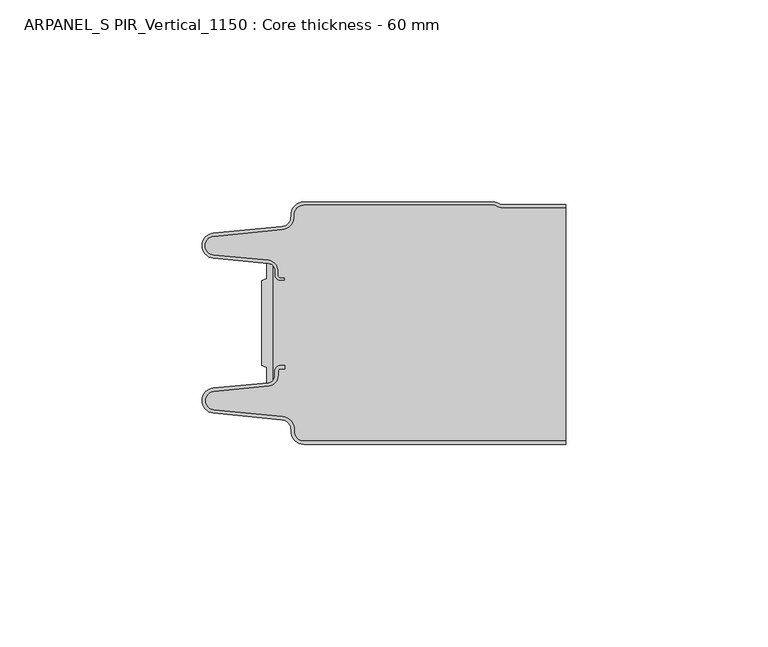
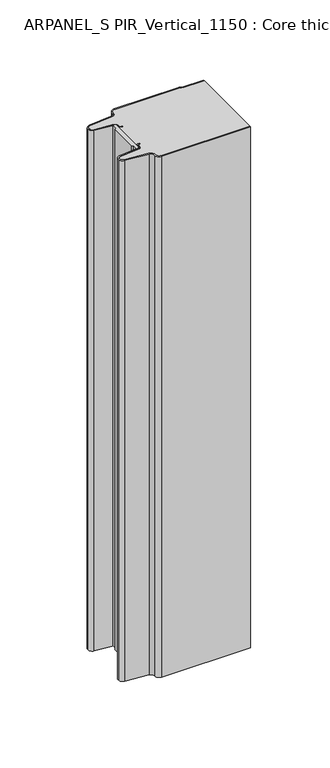
"""IFC4 building model written with IfcOpenShell, lengths in millimetres: plate geometry, ARPANEL_S PIR_Vertical_1150 : Core thickness - 60 mm."""

from ifc_helpers import new_model, si_unit, point, frame, frame_2d, origin, origin_with_axes, place, context, project, spatial, polyline, circle_curve, trimmed, segment, composite_curve, outline, extrude, source, transform, mapped, element, save
from ifc_brep_helpers import plane_surface, cylinder_surface, revolved_surface, advanced_brep


def arpanel_s_pir_vertical_1150_core_thickness_60_mm_c4596dc1(model_context):
    return source(origin(), model_context, "Body", "SolidModel", [
        extrude(outline(composite_curve([segment(polyline([(-30.2854621, -19.4639745), (-29.0682893, -19.0209598), (-29.0682893, -15.20918)]), True, "CONTINUOUS"), segment(trimmed(circle_curve(frame_2d((-28.9194754, -17.302662)), 2.0987645), [point((-29.0682893, -15.20918))], [point((-27.4659308, -15.7887199))], False, "CARTESIAN"), True, "CONTINUOUS"), segment(polyline([(-27.4659308, -15.7887199), (-27.4659308, -44.2112801)]), True, "CONTINUOUS"), segment(trimmed(circle_curve(frame_2d((-28.9194754, -42.697338)), 2.0987645), [point((-27.4659308, -44.2112801))], [point((-29.0682893, -44.79082))], False, "CARTESIAN"), True, "CONTINUOUS"), segment(polyline([(-29.0682893, -44.79082), (-29.0682893, -40.9790402), (-30.2854621, -40.5360255), (-30.2854621, -19.4639745)]), True, "CONTINUOUS")], self_intersect=False)), origin_with_axes(), (0.0, 0.0, 1.0), 400.0),
        advanced_brep(
        [(-19.8000003, -59.9996949, 0.0), (-22.9923632, -56.5787437, 0.0), (-25.2560431, -53.9171154, 0.0), (-42.2115315, -52.2546153, 0.0), (-44.9999998, -49.1776715, 0.0), (-42.2115315, -46.1007278, 0.0), (-28.6195785, -44.7680252, 0.0), (-26.9952277, -42.9766159, 0.0), (-26.9952277, -41.8996949, 0.0), (-25.5952277, -40.4996949, 0.0), (-24.4952277, -40.4996949, 0.0), (-24.4952277, -41.2996949, 0.0), (-25.5952277, -41.2996949, 0.0), (-26.1952277, -41.8996949, 0.0), (-26.1952277, -42.9766159, 0.0), (-28.5415122, -45.5642071, 0.0), (-42.1334652, -46.8969097, 0.0), (-44.1999997, -49.1776715, 0.0), (-42.1334652, -51.4584333, 0.0), (-25.1779767, -53.1209335, 0.0), (-22.2078761, -56.6330399, 0.0), (-19.8000003, -59.1996949, 0.0), (44.9999998, -59.2, 0.0), (44.9999998, -59.9996949, 0.0), (-19.8000003, -59.1996949, 400.0), (-22.1942724, -56.6339815, 400.0), (-25.1779767, -53.1209335, 400.0), (-42.1334652, -51.4584333, 400.0), (-44.1999997, -49.1776715, 400.0), (-42.1334652, -46.8969097, 400.0), (-28.5415122, -45.5642071, 400.0), (-26.1952277, -42.9766159, 400.0), (-26.1952277, -41.8996949, 400.0), (-25.5952277, -41.2996949, 400.0), (-24.4952277, -41.2996949, 400.0), (-24.4952277, -40.4996949, 400.0), (-25.5952277, -40.4996949, 400.0), (-26.9952277, -41.8996949, 400.0), (-26.9952277, -42.9766159, 400.0), (-28.6195785, -44.7680252, 400.0), (-42.2115315, -46.1007278, 400.0), (-44.9999998, -49.1776715, 400.0), (-42.2115315, -52.2546153, 400.0), (-25.2560431, -53.9171154, 400.0), (-23.0059668, -56.5778021, 400.0), (-19.8000003, -59.9996949, 400.0), (44.9999998, -59.9996949, 400.0), (44.9999998, -59.2, 400.0)],
        [
            (0, 1, circle_curve(frame((-19.8000003, -56.7996949, 0.0), z_axis=(0.0, 0.0, -1.0), x_axis=(1.0, 0.0, 0.0)), 3.2)),
            (1, 2, circle_curve(frame((-25.5000003, -56.4051839, 0.0), z_axis=(0.0, 0.0, 1.0), x_axis=(1.0, 0.0, 0.0)), 2.5)),
            (2, 3),
            (3, 4, circle_curve(frame((-41.9100003, -49.1793626, 0.0), z_axis=(0.0, 0.0, -1.0), x_axis=(1.0, 0.0, 0.0)), 3.09)),
            (4, 5, circle_curve(frame((-41.9100003, -49.1759805, 0.0), z_axis=(0.0, 0.0, -1.0), x_axis=(1.0, 0.0, 0.0)), 3.09)),
            (5, 6),
            (6, 7, circle_curve(frame((-28.7952277, -42.9766159, 0.0), z_axis=(0.0, 0.0, 1.0), x_axis=(1.0, 0.0, 0.0)), 1.8)),
            (7, 8),
            (8, 9, circle_curve(frame((-25.5952277, -41.8996949, 0.0), z_axis=(0.0, 0.0, -1.0), x_axis=(1.0, 0.0, 0.0)), 1.4)),
            (9, 10),
            (10, 11),
            (11, 12),
            (12, 13, circle_curve(frame((-25.5952277, -41.8996949, 0.0), z_axis=(0.0, 0.0, 1.0), x_axis=(1.0, 0.0, 0.0)), 0.6)),
            (13, 14),
            (14, 15, circle_curve(frame((-28.7952277, -42.9766159, 0.0), z_axis=(0.0, 0.0, -1.0), x_axis=(1.0, 0.0, 0.0)), 2.6)),
            (15, 16),
            (16, 17, circle_curve(frame((-41.9100003, -49.1759805, 0.0), z_axis=(0.0, 0.0, 1.0), x_axis=(1.0, 0.0, 0.0)), 2.29)),
            (17, 18, circle_curve(frame((-41.9100003, -49.1793626, 0.0), z_axis=(0.0, 0.0, 1.0), x_axis=(1.0, 0.0, 0.0)), 2.29)),
            (18, 19),
            (19, 20, circle_curve(frame((-25.5000003, -56.4051839, 0.0), z_axis=(0.0, 0.0, -1.0), x_axis=(1.0, 0.0, 0.0)), 3.3)),
            (20, 21, circle_curve(frame((-19.8000003, -56.7996949, 0.0), z_axis=(0.0, 0.0, 1.0), x_axis=(1.0, 0.0, 0.0)), 2.4)),
            (21, 22),
            (22, 23),
            (23, 0),
            (24, 25, circle_curve(frame((-19.8000003, -56.7996949, 400.0), z_axis=(0.0, 0.0, -1.0), x_axis=(1.0, 0.0, 0.0)), 2.4)),
            (25, 26, circle_curve(frame((-25.5000003, -56.4051839, 400.0), z_axis=(0.0, 0.0, 1.0), x_axis=(1.0, 0.0, 0.0)), 3.3)),
            (26, 27),
            (27, 28, circle_curve(frame((-41.9100003, -49.1793626, 400.0), z_axis=(0.0, 0.0, -1.0), x_axis=(1.0, 0.0, 0.0)), 2.29)),
            (28, 29, circle_curve(frame((-41.9100003, -49.1759805, 400.0), z_axis=(0.0, 0.0, -1.0), x_axis=(1.0, 0.0, 0.0)), 2.29)),
            (29, 30),
            (30, 31, circle_curve(frame((-28.7952277, -42.9766159, 400.0), z_axis=(0.0, 0.0, 1.0), x_axis=(1.0, 0.0, 0.0)), 2.6)),
            (31, 32),
            (32, 33, circle_curve(frame((-25.5952277, -41.8996949, 400.0), z_axis=(0.0, 0.0, -1.0), x_axis=(1.0, 0.0, 0.0)), 0.6)),
            (33, 34),
            (34, 35),
            (35, 36),
            (36, 37, circle_curve(frame((-25.5952277, -41.8996949, 400.0), z_axis=(0.0, 0.0, 1.0), x_axis=(1.0, 0.0, 0.0)), 1.4)),
            (37, 38),
            (38, 39, circle_curve(frame((-28.7952277, -42.9766159, 400.0), z_axis=(0.0, 0.0, -1.0), x_axis=(1.0, 0.0, 0.0)), 1.8)),
            (39, 40),
            (40, 41, circle_curve(frame((-41.9100003, -49.1759805, 400.0), z_axis=(0.0, 0.0, 1.0), x_axis=(1.0, 0.0, 0.0)), 3.09)),
            (41, 42, circle_curve(frame((-41.9100003, -49.1793626, 400.0), z_axis=(0.0, 0.0, 1.0), x_axis=(1.0, 0.0, 0.0)), 3.09)),
            (42, 43),
            (43, 44, circle_curve(frame((-25.5000003, -56.4051839, 400.0), z_axis=(0.0, 0.0, -1.0), x_axis=(1.0, 0.0, 0.0)), 2.5)),
            (44, 45, circle_curve(frame((-19.8000003, -56.7996949, 400.0), z_axis=(0.0, 0.0, 1.0), x_axis=(1.0, 0.0, 0.0)), 3.2)),
            (45, 46),
            (46, 47),
            (47, 24),
            (21, 24),
            (47, 22),
            (20, 25),
            (19, 26),
            (18, 27),
            (17, 28),
            (16, 29),
            (15, 30),
            (14, 31),
            (13, 32),
            (12, 33),
            (11, 34),
            (10, 35),
            (9, 36),
            (8, 37),
            (7, 38),
            (6, 39),
            (5, 40),
            (4, 41),
            (3, 42),
            (2, 43),
            (1, 44),
            (0, 45),
            (23, 46),
        ],
        [
            plane_surface(frame((-44.9999998, -60.0, 0.0), z_axis=(0.0, 0.0, -1.0), x_axis=(0.0, 1.0, 0.0))),
            plane_surface(frame((-44.9999998, -60.0, 400.0), z_axis=(0.0, 0.0, 1.0), x_axis=(0.0, 1.0, 0.0))),
            plane_surface(frame((-19.8000003, -59.2, 0.0), z_axis=(0.0, 1.0, 0.0), x_axis=(0.0, 0.0, 1.0))),
            revolved_surface(polyline([(-17.400000300000002, -56.7996949, 400.0), (-17.400000300000002, -56.7996949, 0.0)]), (-19.8000003, -56.7996949, 0.0), (0.0, 0.0, 1.0)),
            cylinder_surface(frame((-25.5000003, -56.4051839, 0.0), z_axis=(0.0, 0.0, -1.0), x_axis=(1.0, 0.0, 0.0)), 3.3),
            plane_surface(frame((-42.1334652, -51.4584333, 0.0), z_axis=(0.09758289975914758, 0.9952273999818314, 0.0), x_axis=(0.0, 0.0, 1.0))),
            revolved_surface(polyline([(-39.6200003, -49.1793626, 400.0), (-39.6200003, -49.1793626, 0.0)]), (-41.9100003, -49.1793626, 0.0), (0.0, 0.0, 1.0)),
            revolved_surface(polyline([(-39.6200003, -49.1759805, 400.0), (-39.6200003, -49.1759805, 0.0)]), (-41.9100003, -49.1759805, 0.0), (0.0, 0.0, 1.0)),
            plane_surface(frame((-28.5415122, -45.5642071, 0.0), z_axis=(0.09758289975914383, -0.9952273999818317, 0.0), x_axis=(0.0, 0.0, 1.0))),
            cylinder_surface(frame((-28.7952277, -42.9766159, 0.0), z_axis=(0.0, 0.0, -1.0), x_axis=(1.0, 0.0, 0.0)), 2.6),
            plane_surface(frame((-26.1952277, -41.8996949, 0.0), z_axis=(1.0, 0.0, 0.0), x_axis=(0.0, 0.0, 1.0))),
            revolved_surface(polyline([(-24.995227699999997, -41.8996949, 400.0), (-24.995227699999997, -41.8996949, 0.0)]), (-25.5952277, -41.8996949, 0.0), (0.0, 0.0, 1.0)),
            plane_surface(frame((-24.4952277, -41.2996949, 0.0), z_axis=(0.0, -1.0, 0.0), x_axis=(0.0, 0.0, 1.0))),
            plane_surface(frame((-24.4952277, -40.4996949, 0.0), z_axis=(1.0, 0.0, 0.0), x_axis=(0.0, 0.0, 1.0))),
            plane_surface(frame((-25.5952277, -40.4996949, 0.0), z_axis=(0.0, 1.0, 0.0), x_axis=(0.0, 0.0, 1.0))),
            cylinder_surface(frame((-25.5952277, -41.8996949, 0.0), z_axis=(0.0, 0.0, -1.0), x_axis=(1.0, 0.0, 0.0)), 1.4),
            plane_surface(frame((-26.9952277, -42.9766159, 0.0), z_axis=(-1.0, 0.0, 0.0), x_axis=(0.0, 0.0, 1.0))),
            revolved_surface(polyline([(-26.9952277, -42.9766159, 400.0), (-26.9952277, -42.9766159, 0.0)]), (-28.7952277, -42.9766159, 0.0), (0.0, 0.0, 1.0)),
            plane_surface(frame((-42.2115315, -46.1007278, 0.0), z_axis=(-0.09758289975914387, 0.9952273999818317, 0.0), x_axis=(0.0, 0.0, 1.0))),
            cylinder_surface(frame((-41.9100003, -49.1759805, 0.0), z_axis=(0.0, 0.0, -1.0), x_axis=(1.0, 0.0, 0.0)), 3.09),
            cylinder_surface(frame((-41.9100003, -49.1793626, 0.0), z_axis=(0.0, 0.0, -1.0), x_axis=(1.0, 0.0, 0.0)), 3.09),
            plane_surface(frame((-25.2560431, -53.9171154, 0.0), z_axis=(-0.09758289975914762, -0.9952273999818314, 0.0), x_axis=(0.0, 0.0, 1.0))),
            revolved_surface(polyline([(-23.0000003, -56.4051839, 400.0), (-23.0000003, -56.4051839, 0.0)]), (-25.5000003, -56.4051839, 0.0), (0.0, 0.0, 1.0)),
            cylinder_surface(frame((-19.8000003, -56.7996949, 0.0), z_axis=(0.0, 0.0, -1.0), x_axis=(1.0, 0.0, 0.0)), 3.2),
            plane_surface(frame((1121.009932, -59.9996949, 0.0), z_axis=(0.0, -1.0, 0.0), x_axis=(0.0, 0.0, 1.0))),
            plane_surface(frame((44.9999998, 180.0, 400.0), z_axis=(1.0, 0.0, 0.0), x_axis=(0.0, 0.0, -1.0))),
        ],
        [
            (0, [[1, 2, 3, 4, 5, 6, 7, 8, 9, 10, 11, 12, 13, 14, 15, 16, 17, 18, 19, 20, 21, 22, 23, 24]]),
            (1, [[25, 26, 27, 28, 29, 30, 31, 32, 33, 34, 35, 36, 37, 38, 39, 40, 41, 42, 43, 44, 45, 46, 47, 48]]),
            (2, [[49, -48, 50, -22]]),
            (3, [[-21, 51, -25, -49]]),
            (4, [[-20, 52, -26, -51]]),
            (5, [[-19, 53, -27, -52]]),
            (6, [[-18, 54, -28, -53]]),
            (7, [[-17, 55, -29, -54]]),
            (8, [[-16, 56, -30, -55]]),
            (9, [[-15, 57, -31, -56]]),
            (10, [[-14, 58, -32, -57]]),
            (11, [[-13, 59, -33, -58]]),
            (12, [[-12, 60, -34, -59]]),
            (13, [[-11, 61, -35, -60]]),
            (14, [[-10, 62, -36, -61]]),
            (15, [[-9, 63, -37, -62]]),
            (16, [[-8, 64, -38, -63]]),
            (17, [[-7, 65, -39, -64]]),
            (18, [[-6, 66, -40, -65]]),
            (19, [[-5, 67, -41, -66]]),
            (20, [[-4, 68, -42, -67]]),
            (21, [[-3, 69, -43, -68]]),
            (22, [[-2, 70, -44, -69]]),
            (23, [[-1, 71, -45, -70]]),
            (24, [[-71, -24, 72, -46]]),
            (25, [[-23, -50, -47, -72]]),
        ],
    ),
        advanced_brep(
        [(-26.9952277, -17.0233841, 400.0), (-27.4671027, -15.8084422, 400.0), (-27.4671027, -44.1915578, 400.0), (-26.9952277, -42.9766159, 400.0), (-26.9952277, -41.8996949, 400.0), (-25.5952277, -40.4996949, 400.0), (-24.4952277, -40.4996949, 400.0), (-24.4952277, -41.2996949, 400.0), (-25.5952277, -41.2996949, 400.0), (-26.1952277, -41.8996949, 400.0), (-26.1952277, -42.9766159, 400.0), (-28.5415122, -45.5642071, 400.0), (-42.1334652, -46.8969097, 400.0), (-44.1999997, -49.1776715, 400.0), (-42.1334652, -51.4584333, 400.0), (-25.1779767, -53.1209335, 400.0), (-22.2078761, -56.6330399, 400.0), (-19.8000003, -59.1996949, 400.0), (44.9999998, -59.2, 400.0), (44.9999998, -1.5003051, 400.0), (29.4172165, -1.5003051, 400.0), (27.9978051, -1.0971009, 400.0), (26.9454197, -0.8, 400.0), (-19.8000003, -0.8, 400.0), (-22.1942724, -3.3660185, 400.0), (-25.1779767, -6.8790665, 400.0), (-42.1334652, -8.5415667, 400.0), (-44.1999997, -10.8223285, 400.0), (-42.1334652, -13.1030903, 400.0), (-28.5415122, -14.4357929, 400.0), (-26.1952277, -17.0233841, 400.0), (-26.1952277, -18.1003051, 400.0), (-25.5952277, -18.7003051, 400.0), (-24.4952277, -18.7003051, 400.0), (-24.4952277, -19.5003051, 400.0), (-25.5952277, -19.5003051, 400.0), (-26.9952277, -18.1003051, 400.0), (-27.4671027, -15.8084422, 0.0), (-26.9952277, -17.0233841, 0.0), (-26.9952277, -18.1003051, 0.0), (-25.5952277, -19.5003051, 0.0), (-24.4952277, -19.5003051, 0.0), (-24.4952277, -18.7003051, 0.0), (-25.5952277, -18.7003051, 0.0), (-26.1952277, -18.1003051, 0.0), (-26.1952277, -17.0233841, 0.0), (-28.5415122, -14.4357929, 0.0), (-42.1334652, -13.1030903, 0.0), (-44.1999997, -10.8223285, 0.0), (-42.1334652, -8.5415667, 0.0), (-25.1779767, -6.8790665, 0.0), (-22.2078761, -3.3669601, 0.0), (-19.8000003, -0.8003051, 0.0), (26.9454197, -0.8, 0.0), (27.9968355, -1.0986697, 0.0), (29.4172165, -1.5003051, 0.0), (44.9999998, -1.5003051, 0.0), (44.9999998, -59.2, 0.0), (-19.8000003, -59.2, 0.0), (-22.1942724, -56.6339815, 0.0), (-25.1779767, -53.1209335, 0.0), (-42.1334652, -51.4584333, 0.0), (-44.1999997, -49.1776715, 0.0), (-42.1334652, -46.8969097, 0.0), (-28.5415122, -45.5642071, 0.0), (-26.1952277, -42.9766159, 0.0), (-26.1952277, -41.8996949, 0.0), (-25.5952277, -41.2996949, 0.0), (-24.4952277, -41.2996949, 0.0), (-24.4952277, -40.4996949, 0.0), (-25.5952277, -40.4996949, 0.0), (-26.9952277, -41.8996949, 0.0), (-26.9952277, -42.9766159, 0.0), (-27.4671027, -44.1915578, 0.0)],
        [
            (0, 1, circle_curve(frame((-28.7952277, -17.0233841, 400.0), z_axis=(0.0, 0.0, 1.0), x_axis=(1.0, 0.0, 0.0)), 1.8)),
            (1, 2),
            (2, 3, circle_curve(frame((-28.7952277, -42.9766159, 400.0), z_axis=(0.0, 0.0, 1.0), x_axis=(1.0, 0.0, 0.0)), 1.8)),
            (3, 4),
            (4, 5, circle_curve(frame((-25.5952277, -41.8996949, 400.0), z_axis=(0.0, 0.0, -1.0), x_axis=(1.0, 0.0, 0.0)), 1.4)),
            (5, 6),
            (6, 7),
            (7, 8),
            (8, 9, circle_curve(frame((-25.5952277, -41.8996949, 400.0), z_axis=(0.0, 0.0, 1.0), x_axis=(1.0, 0.0, 0.0)), 0.6)),
            (9, 10),
            (10, 11, circle_curve(frame((-28.7952277, -42.9766159, 400.0), z_axis=(0.0, 0.0, -1.0), x_axis=(1.0, 0.0, 0.0)), 2.6)),
            (11, 12),
            (12, 13, circle_curve(frame((-41.9100003, -49.1759805, 400.0), z_axis=(0.0, 0.0, 1.0), x_axis=(1.0, 0.0, 0.0)), 2.29)),
            (13, 14, circle_curve(frame((-41.9100003, -49.1793626, 400.0), z_axis=(0.0, 0.0, 1.0), x_axis=(1.0, 0.0, 0.0)), 2.29)),
            (14, 15),
            (15, 16, circle_curve(frame((-25.5000003, -56.4051839, 400.0), z_axis=(0.0, 0.0, -1.0), x_axis=(1.0, 0.0, 0.0)), 3.3)),
            (16, 17, circle_curve(frame((-19.8000003, -56.7996949, 400.0), z_axis=(0.0, 0.0, 1.0), x_axis=(1.0, 0.0, 0.0)), 2.4)),
            (17, 18),
            (18, 19),
            (19, 20),
            (20, 21, circle_curve(frame((29.4172165, 1.1996949, 400.0), z_axis=(0.0, 0.0, -1.0), x_axis=(1.0, 0.0, 0.0)), 2.7)),
            (21, 22, circle_curve(frame((26.9454197, -2.8, 400.0), z_axis=(0.0, 0.0, 1.0), x_axis=(1.0, 0.0, 0.0)), 2.0)),
            (22, 23),
            (23, 24, circle_curve(frame((-19.8000003, -3.2003051, 400.0), z_axis=(0.0, 0.0, 1.0), x_axis=(1.0, 0.0, 0.0)), 2.4)),
            (24, 25, circle_curve(frame((-25.5000003, -3.5948161, 400.0), z_axis=(0.0, 0.0, -1.0), x_axis=(1.0, 0.0, 0.0)), 3.3)),
            (25, 26),
            (26, 27, circle_curve(frame((-41.9100003, -10.8206374, 400.0), z_axis=(0.0, 0.0, 1.0), x_axis=(1.0, 0.0, 0.0)), 2.29)),
            (27, 28, circle_curve(frame((-41.9100003, -10.8240195, 400.0), z_axis=(0.0, 0.0, 1.0), x_axis=(1.0, 0.0, 0.0)), 2.29)),
            (28, 29),
            (29, 30, circle_curve(frame((-28.7952277, -17.0233841, 400.0), z_axis=(0.0, 0.0, -1.0), x_axis=(1.0, 0.0, 0.0)), 2.6)),
            (30, 31),
            (31, 32, circle_curve(frame((-25.5952277, -18.1003051, 400.0), z_axis=(0.0, 0.0, 1.0), x_axis=(1.0, 0.0, 0.0)), 0.6)),
            (32, 33),
            (33, 34),
            (34, 35),
            (35, 36, circle_curve(frame((-25.5952277, -18.1003051, 400.0), z_axis=(0.0, 0.0, -1.0), x_axis=(1.0, 0.0, 0.0)), 1.4)),
            (36, 0),
            (37, 38, circle_curve(frame((-28.7952277, -17.0233841, 0.0), z_axis=(0.0, 0.0, -1.0), x_axis=(1.0, 0.0, 0.0)), 1.8)),
            (38, 39),
            (39, 40, circle_curve(frame((-25.5952277, -18.1003051, 0.0), z_axis=(0.0, 0.0, 1.0), x_axis=(1.0, 0.0, 0.0)), 1.4)),
            (40, 41),
            (41, 42),
            (42, 43),
            (43, 44, circle_curve(frame((-25.5952277, -18.1003051, 0.0), z_axis=(0.0, 0.0, -1.0), x_axis=(1.0, 0.0, 0.0)), 0.6)),
            (44, 45),
            (45, 46, circle_curve(frame((-28.7952277, -17.0233841, 0.0), z_axis=(0.0, 0.0, 1.0), x_axis=(1.0, 0.0, 0.0)), 2.6)),
            (46, 47),
            (47, 48, circle_curve(frame((-41.9100003, -10.8240195, 0.0), z_axis=(0.0, 0.0, -1.0), x_axis=(1.0, 0.0, 0.0)), 2.29)),
            (48, 49, circle_curve(frame((-41.9100003, -10.8206374, 0.0), z_axis=(0.0, 0.0, -1.0), x_axis=(1.0, 0.0, 0.0)), 2.29)),
            (49, 50),
            (50, 51, circle_curve(frame((-25.5000003, -3.5948161, 0.0), z_axis=(0.0, 0.0, 1.0), x_axis=(1.0, 0.0, 0.0)), 3.3)),
            (51, 52, circle_curve(frame((-19.8000003, -3.2003051, 0.0), z_axis=(0.0, 0.0, -1.0), x_axis=(1.0, 0.0, 0.0)), 2.4)),
            (52, 53),
            (53, 54, circle_curve(frame((26.9454197, -2.8, 0.0), z_axis=(0.0, 0.0, -1.0), x_axis=(1.0, 0.0, 0.0)), 2.0)),
            (54, 55, circle_curve(frame((29.4172165, 1.1996949, 0.0), z_axis=(0.0, 0.0, 1.0), x_axis=(1.0, 0.0, 0.0)), 2.7)),
            (55, 56),
            (56, 57),
            (57, 58),
            (58, 59, circle_curve(frame((-19.8000003, -56.7996949, 0.0), z_axis=(0.0, 0.0, -1.0), x_axis=(1.0, 0.0, 0.0)), 2.4)),
            (59, 60, circle_curve(frame((-25.5000003, -56.4051839, 0.0), z_axis=(0.0, 0.0, 1.0), x_axis=(1.0, 0.0, 0.0)), 3.3)),
            (60, 61),
            (61, 62, circle_curve(frame((-41.9100003, -49.1793626, 0.0), z_axis=(0.0, 0.0, -1.0), x_axis=(1.0, 0.0, 0.0)), 2.29)),
            (62, 63, circle_curve(frame((-41.9100003, -49.1759805, 0.0), z_axis=(0.0, 0.0, -1.0), x_axis=(1.0, 0.0, 0.0)), 2.29)),
            (63, 64),
            (64, 65, circle_curve(frame((-28.7952277, -42.9766159, 0.0), z_axis=(0.0, 0.0, 1.0), x_axis=(1.0, 0.0, 0.0)), 2.6)),
            (65, 66),
            (66, 67, circle_curve(frame((-25.5952277, -41.8996949, 0.0), z_axis=(0.0, 0.0, -1.0), x_axis=(1.0, 0.0, 0.0)), 0.6)),
            (67, 68),
            (68, 69),
            (69, 70),
            (70, 71, circle_curve(frame((-25.5952277, -41.8996949, 0.0), z_axis=(0.0, 0.0, 1.0), x_axis=(1.0, 0.0, 0.0)), 1.4)),
            (71, 72),
            (72, 73, circle_curve(frame((-28.7952277, -42.9766159, 0.0), z_axis=(0.0, 0.0, -1.0), x_axis=(1.0, 0.0, 0.0)), 1.8)),
            (73, 37),
            (1, 37),
            (73, 2),
            (0, 38),
            (36, 39),
            (35, 40),
            (34, 41),
            (42, 33),
            (32, 43),
            (31, 44),
            (30, 45),
            (29, 46),
            (28, 47),
            (27, 48),
            (26, 49),
            (25, 50),
            (24, 51),
            (23, 52),
            (22, 53),
            (21, 54),
            (20, 55),
            (19, 56),
            (17, 58),
            (57, 18),
            (16, 59),
            (15, 60),
            (14, 61),
            (13, 62),
            (12, 63),
            (11, 64),
            (10, 65),
            (9, 66),
            (8, 67),
            (7, 68),
            (6, 69),
            (5, 70),
            (4, 71),
            (3, 72),
        ],
        [
            plane_surface(frame((-44.9999998, 0.0, 400.0), z_axis=(0.0, 0.0, 1.0), x_axis=(0.0, -1.0, 0.0))),
            plane_surface(frame((-44.9999998, 0.0, 0.0), z_axis=(0.0, 0.0, -1.0), x_axis=(0.0, -1.0, 0.0))),
            plane_surface(frame((-27.4671027, -14.998578, 400.0), z_axis=(-1.0, 0.0, 0.0), x_axis=(0.0, 0.0, -1.0))),
            cylinder_surface(frame((-28.7952277, -17.0233841, 530.0), z_axis=(0.0, 0.0, -1.0), x_axis=(1.0, 0.0, 0.0)), 1.8),
            plane_surface(frame((-26.9952277, -17.0233841, 530.0), z_axis=(1.0, 0.0, 0.0), x_axis=(0.0, 0.0, -1.0))),
            revolved_surface(polyline([(-24.1952277, -18.1003051, 400.0), (-24.1952277, -18.1003051, 0.0)]), (-25.5952277, -18.1003051, 530.0), (0.0, 0.0, 1.0)),
            plane_surface(frame((-25.5952277, -19.5003051, 530.0), z_axis=(0.0, 1.0, 0.0), x_axis=(0.0, 0.0, -1.0))),
            plane_surface(frame((-24.4952277, -18.7003051, 530.0), z_axis=(0.0, -1.0, 0.0), x_axis=(0.0, 0.0, -1.0))),
            cylinder_surface(frame((-25.5952277, -18.1003051, 530.0), z_axis=(0.0, 0.0, -1.0), x_axis=(1.0, 0.0, 0.0)), 0.6),
            plane_surface(frame((-26.1952277, -18.1003051, 530.0), z_axis=(-1.0, 0.0, 0.0), x_axis=(0.0, 0.0, -1.0))),
            revolved_surface(polyline([(-26.1952277, -17.0233841, 400.0), (-26.1952277, -17.0233841, 0.0)]), (-28.7952277, -17.0233841, 530.0), (0.0, 0.0, 1.0)),
            plane_surface(frame((-28.5415122, -14.4357929, 530.0), z_axis=(-0.09758289975914705, -0.9952273999818314, 0.0), x_axis=(0.0, 0.0, -1.0))),
            cylinder_surface(frame((-41.9100003, -10.8240195, 530.0), z_axis=(0.0, 0.0, -1.0), x_axis=(1.0, 0.0, 0.0)), 2.29),
            cylinder_surface(frame((-41.9100003, -10.8206374, 530.0), z_axis=(0.0, 0.0, -1.0), x_axis=(1.0, 0.0, 0.0)), 2.29),
            plane_surface(frame((-42.1334652, -8.5415667, 530.0), z_axis=(-0.09758289975914436, 0.9952273999818317, 0.0), x_axis=(0.0, 0.0, -1.0))),
            revolved_surface(polyline([(-22.2000003, -3.5948161, 400.0), (-22.2000003, -3.5948161, 0.0)]), (-25.5000003, -3.5948161, 530.0), (0.0, 0.0, 1.0)),
            cylinder_surface(frame((-19.8000003, -3.2003051, 530.0), z_axis=(0.0, 0.0, -1.0), x_axis=(1.0, 0.0, 0.0)), 2.4),
            plane_surface(frame((-19.8000003, -0.8, 530.0), z_axis=(0.0, 1.0, 0.0), x_axis=(0.0, 0.0, -1.0))),
            cylinder_surface(frame((26.9454197, -2.8, 530.0), z_axis=(0.0, 0.0, -1.0), x_axis=(1.0, 0.0, 0.0)), 2.0),
            revolved_surface(polyline([(32.1172165, 1.1996949, 400.0), (32.1172165, 1.1996949, 0.0)]), (29.4172165, 1.1996949, 530.0), (0.0, 0.0, 1.0)),
            plane_surface(frame((29.4172165, -1.5003051, 530.0), z_axis=(0.0, 1.0, 0.0), x_axis=(0.0, 0.0, -1.0))),
            plane_surface(frame((-24.4952277, -19.5003051, 530.0), z_axis=(-1.0, 0.0, 0.0), x_axis=(0.0, 0.0, -1.0))),
            plane_surface(frame((1121.009932, -59.2, 530.0), z_axis=(0.0, -1.0, 0.0), x_axis=(0.0, 0.0, -1.0))),
            cylinder_surface(frame((-19.8000003, -56.7996949, 530.0), z_axis=(0.0, 0.0, -1.0), x_axis=(1.0, 0.0, 0.0)), 2.4),
            revolved_surface(polyline([(-22.2000003, -56.4051839, 400.0), (-22.2000003, -56.4051839, 0.0)]), (-25.5000003, -56.4051839, 530.0), (0.0, 0.0, 1.0)),
            plane_surface(frame((-25.1779767, -53.1209335, 530.0), z_axis=(-0.09758289975914758, -0.9952273999818314, 0.0), x_axis=(0.0, 0.0, -1.0))),
            cylinder_surface(frame((-41.9100003, -49.1793626, 530.0), z_axis=(0.0, 0.0, -1.0), x_axis=(1.0, 0.0, 0.0)), 2.29),
            cylinder_surface(frame((-41.9100003, -49.1759805, 530.0), z_axis=(0.0, 0.0, -1.0), x_axis=(1.0, 0.0, 0.0)), 2.29),
            plane_surface(frame((-42.1334652, -46.8969097, 530.0), z_axis=(-0.09758289975914383, 0.9952273999818317, 0.0), x_axis=(0.0, 0.0, -1.0))),
            revolved_surface(polyline([(-26.1952277, -42.9766159, 400.0), (-26.1952277, -42.9766159, 0.0)]), (-28.7952277, -42.9766159, 530.0), (0.0, 0.0, 1.0)),
            plane_surface(frame((-26.1952277, -42.9766159, 530.0), z_axis=(-1.0, 0.0, 0.0), x_axis=(0.0, 0.0, -1.0))),
            cylinder_surface(frame((-25.5952277, -41.8996949, 530.0), z_axis=(0.0, 0.0, -1.0), x_axis=(1.0, 0.0, 0.0)), 0.6),
            plane_surface(frame((-25.5952277, -41.2996949, 530.0), z_axis=(0.0, 1.0, 0.0), x_axis=(0.0, 0.0, -1.0))),
            plane_surface(frame((-24.4952277, -41.2996949, 530.0), z_axis=(-1.0, 0.0, 0.0), x_axis=(0.0, 0.0, -1.0))),
            plane_surface(frame((-24.4952277, -40.4996949, 530.0), z_axis=(0.0, -1.0, 0.0), x_axis=(0.0, 0.0, -1.0))),
            revolved_surface(polyline([(-24.1952277, -41.8996949, 400.0), (-24.1952277, -41.8996949, 0.0)]), (-25.5952277, -41.8996949, 530.0), (0.0, 0.0, 1.0)),
            plane_surface(frame((-26.9952277, -41.8996949, 530.0), z_axis=(1.0, 0.0, 0.0), x_axis=(0.0, 0.0, -1.0))),
            cylinder_surface(frame((-28.7952277, -42.9766159, 530.0), z_axis=(0.0, 0.0, -1.0), x_axis=(1.0, 0.0, 0.0)), 1.8),
            plane_surface(frame((44.9999998, 180.0, 400.0), z_axis=(1.0, 0.0, 0.0), x_axis=(0.0, 0.0, -1.0))),
        ],
        [
            (0, [[1, 2, 3, 4, 5, 6, 7, 8, 9, 10, 11, 12, 13, 14, 15, 16, 17, 18, 19, 20, 21, 22, 23, 24, 25, 26, 27, 28, 29, 30, 31, 32, 33, 34, 35, 36, 37]]),
            (1, [[38, 39, 40, 41, 42, 43, 44, 45, 46, 47, 48, 49, 50, 51, 52, 53, 54, 55, 56, 57, 58, 59, 60, 61, 62, 63, 64, 65, 66, 67, 68, 69, 70, 71, 72, 73, 74]]),
            (2, [[75, -74, 76, -2]]),
            (3, [[77, -38, -75, -1]]),
            (4, [[-77, -37, 78, -39]]),
            (5, [[-78, -36, 79, -40]]),
            (6, [[-79, -35, 80, -41]]),
            (7, [[81, -33, 82, -43]]),
            (8, [[-82, -32, 83, -44]]),
            (9, [[-83, -31, 84, -45]]),
            (10, [[-84, -30, 85, -46]]),
            (11, [[-85, -29, 86, -47]]),
            (12, [[-86, -28, 87, -48]]),
            (13, [[-87, -27, 88, -49]]),
            (14, [[-88, -26, 89, -50]]),
            (15, [[-89, -25, 90, -51]]),
            (16, [[-90, -24, 91, -52]]),
            (17, [[-91, -23, 92, -53]]),
            (18, [[-92, -22, 93, -54]]),
            (19, [[-93, -21, 94, -55]]),
            (20, [[-94, -20, 95, -56]]),
            (21, [[-81, -42, -80, -34]]),
            (22, [[96, -58, 97, -18]]),
            (23, [[-96, -17, 98, -59]]),
            (24, [[-98, -16, 99, -60]]),
            (25, [[-99, -15, 100, -61]]),
            (26, [[-100, -14, 101, -62]]),
            (27, [[-101, -13, 102, -63]]),
            (28, [[-102, -12, 103, -64]]),
            (29, [[-103, -11, 104, -65]]),
            (30, [[-104, -10, 105, -66]]),
            (31, [[-105, -9, 106, -67]]),
            (32, [[-106, -8, 107, -68]]),
            (33, [[-107, -7, 108, -69]]),
            (34, [[-108, -6, 109, -70]]),
            (35, [[-109, -5, 110, -71]]),
            (36, [[-110, -4, 111, -72]]),
            (37, [[-111, -3, -76, -73]]),
            (38, [[-95, -19, -97, -57]]),
        ],
    ),
        advanced_brep(
        [(27.9968355, -1.0986697, 0.0), (26.9454197, -0.8, 0.0), (-19.8000003, -0.8, 0.0), (-22.1942724, -3.3660185, 0.0), (-25.1779767, -6.8790665, 0.0), (-42.1334652, -8.5415667, 0.0), (-44.1999997, -10.8223285, 0.0), (-42.1334652, -13.1030903, 0.0), (-28.5415122, -14.4357929, 0.0), (-26.1952277, -17.0233841, 0.0), (-26.1952277, -18.1003051, 0.0), (-25.5952277, -18.7003051, 0.0), (-24.4952277, -18.7003051, 0.0), (-24.4952277, -19.5003051, 0.0), (-25.5952277, -19.5003051, 0.0), (-26.9952277, -18.1003051, 0.0), (-26.9952277, -17.0233841, 0.0), (-28.6195785, -15.2319748, 0.0), (-42.2115315, -13.8992722, 0.0), (-44.9999998, -10.8223285, 0.0), (-42.2115315, -7.7453847, 0.0), (-25.2560431, -6.0828846, 0.0), (-23.0059668, -3.4221979, 0.0), (-19.8000003, -0.0003051, 0.0), (26.9454197, -0.0003051, 0.0), (28.3647528, -0.4034608, 0.0), (29.4172165, -0.7003051, 0.0), (44.9999998, -0.7003051, 0.0), (44.9999998, -1.5003051, 0.0), (29.4172165, -1.5003051, 0.0), (27.9978051, -1.0971009, 400.0), (29.4172165, -1.5003051, 400.0), (44.9999998, -1.5003051, 400.0), (44.9999998, -0.7003051, 400.0), (29.4172165, -0.7003051, 400.0), (28.3658586, -0.4016712, 400.0), (26.9454197, -0.0003051, 400.0), (-19.8000003, -0.0003051, 400.0), (-22.9923632, -3.4212563, 400.0), (-25.2560431, -6.0828846, 400.0), (-42.2115315, -7.7453847, 400.0), (-44.9999998, -10.8223285, 400.0), (-42.2115315, -13.8992722, 400.0), (-28.6195785, -15.2319748, 400.0), (-26.9952277, -17.0233841, 400.0), (-26.9952277, -18.1003051, 400.0), (-25.5952277, -19.5003051, 400.0), (-24.4952277, -19.5003051, 400.0), (-24.4952277, -18.7003051, 400.0), (-25.5952277, -18.7003051, 400.0), (-26.1952277, -18.1003051, 400.0), (-26.1952277, -17.0233841, 400.0), (-28.5415122, -14.4357929, 400.0), (-42.1334652, -13.1030903, 400.0), (-44.1999997, -10.8223285, 400.0), (-42.1334652, -8.5415667, 400.0), (-25.1779767, -6.8790665, 400.0), (-22.2078761, -3.3669601, 400.0), (-19.8000003, -0.8003051, 400.0), (26.9454197, -0.8, 400.0)],
        [
            (0, 1, circle_curve(frame((26.9454197, -2.8, 0.0), z_axis=(0.0, 0.0, 1.0), x_axis=(1.0, 0.0, 0.0)), 2.0)),
            (1, 2),
            (2, 3, circle_curve(frame((-19.8000003, -3.2003051, 0.0), z_axis=(0.0, 0.0, 1.0), x_axis=(1.0, 0.0, 0.0)), 2.4)),
            (3, 4, circle_curve(frame((-25.5000003, -3.5948161, 0.0), z_axis=(0.0, 0.0, -1.0), x_axis=(1.0, 0.0, 0.0)), 3.3)),
            (4, 5),
            (5, 6, circle_curve(frame((-41.9100003, -10.8206374, 0.0), z_axis=(0.0, 0.0, 1.0), x_axis=(1.0, 0.0, 0.0)), 2.29)),
            (6, 7, circle_curve(frame((-41.9100003, -10.8240195, 0.0), z_axis=(0.0, 0.0, 1.0), x_axis=(1.0, 0.0, 0.0)), 2.29)),
            (7, 8),
            (8, 9, circle_curve(frame((-28.7952277, -17.0233841, 0.0), z_axis=(0.0, 0.0, -1.0), x_axis=(1.0, 0.0, 0.0)), 2.6)),
            (9, 10),
            (10, 11, circle_curve(frame((-25.5952277, -18.1003051, 0.0), z_axis=(0.0, 0.0, 1.0), x_axis=(1.0, 0.0, 0.0)), 0.6)),
            (11, 12),
            (12, 13),
            (13, 14),
            (14, 15, circle_curve(frame((-25.5952277, -18.1003051, 0.0), z_axis=(0.0, 0.0, -1.0), x_axis=(1.0, 0.0, 0.0)), 1.4)),
            (15, 16),
            (16, 17, circle_curve(frame((-28.7952277, -17.0233841, 0.0), z_axis=(0.0, 0.0, 1.0), x_axis=(1.0, 0.0, 0.0)), 1.8)),
            (17, 18),
            (18, 19, circle_curve(frame((-41.9100003, -10.8240195, 0.0), z_axis=(0.0, 0.0, -1.0), x_axis=(1.0, 0.0, 0.0)), 3.09)),
            (19, 20, circle_curve(frame((-41.9100003, -10.8206374, 0.0), z_axis=(0.0, 0.0, -1.0), x_axis=(1.0, 0.0, 0.0)), 3.09)),
            (20, 21),
            (21, 22, circle_curve(frame((-25.5000003, -3.5948161, 0.0), z_axis=(0.0, 0.0, 1.0), x_axis=(1.0, 0.0, 0.0)), 2.5)),
            (22, 23, circle_curve(frame((-19.8000003, -3.2003051, 0.0), z_axis=(0.0, 0.0, -1.0), x_axis=(1.0, 0.0, 0.0)), 3.2)),
            (23, 24),
            (24, 25, circle_curve(frame((26.9454197, -2.7003051, 0.0), z_axis=(0.0, 0.0, -1.0), x_axis=(1.0, 0.0, 0.0)), 2.7)),
            (25, 26, circle_curve(frame((29.4172165, 1.2996949, 0.0), z_axis=(0.0, 0.0, 1.0), x_axis=(1.0, 0.0, 0.0)), 2.0)),
            (26, 27),
            (27, 28),
            (28, 29),
            (29, 0, circle_curve(frame((29.4172165, 1.1996949, 0.0), z_axis=(0.0, 0.0, -1.0), x_axis=(1.0, 0.0, 0.0)), 2.7)),
            (30, 31, circle_curve(frame((29.4172165, 1.1996949, 400.0), z_axis=(0.0, 0.0, 1.0), x_axis=(1.0, 0.0, 0.0)), 2.7)),
            (31, 32),
            (32, 33),
            (33, 34),
            (34, 35, circle_curve(frame((29.4172165, 1.2996949, 400.0), z_axis=(0.0, 0.0, -1.0), x_axis=(1.0, 0.0, 0.0)), 2.0)),
            (35, 36, circle_curve(frame((26.9454197, -2.7003051, 400.0), z_axis=(0.0, 0.0, 1.0), x_axis=(1.0, 0.0, 0.0)), 2.7)),
            (36, 37),
            (37, 38, circle_curve(frame((-19.8000003, -3.2003051, 400.0), z_axis=(0.0, 0.0, 1.0), x_axis=(1.0, 0.0, 0.0)), 3.2)),
            (38, 39, circle_curve(frame((-25.5000003, -3.5948161, 400.0), z_axis=(0.0, 0.0, -1.0), x_axis=(1.0, 0.0, 0.0)), 2.5)),
            (39, 40),
            (40, 41, circle_curve(frame((-41.9100003, -10.8206374, 400.0), z_axis=(0.0, 0.0, 1.0), x_axis=(1.0, 0.0, 0.0)), 3.09)),
            (41, 42, circle_curve(frame((-41.9100003, -10.8240195, 400.0), z_axis=(0.0, 0.0, 1.0), x_axis=(1.0, 0.0, 0.0)), 3.09)),
            (42, 43),
            (43, 44, circle_curve(frame((-28.7952277, -17.0233841, 400.0), z_axis=(0.0, 0.0, -1.0), x_axis=(1.0, 0.0, 0.0)), 1.8)),
            (44, 45),
            (45, 46, circle_curve(frame((-25.5952277, -18.1003051, 400.0), z_axis=(0.0, 0.0, 1.0), x_axis=(1.0, 0.0, 0.0)), 1.4)),
            (46, 47),
            (47, 48),
            (48, 49),
            (49, 50, circle_curve(frame((-25.5952277, -18.1003051, 400.0), z_axis=(0.0, 0.0, -1.0), x_axis=(1.0, 0.0, 0.0)), 0.6)),
            (50, 51),
            (51, 52, circle_curve(frame((-28.7952277, -17.0233841, 400.0), z_axis=(0.0, 0.0, 1.0), x_axis=(1.0, 0.0, 0.0)), 2.6)),
            (52, 53),
            (53, 54, circle_curve(frame((-41.9100003, -10.8240195, 400.0), z_axis=(0.0, 0.0, -1.0), x_axis=(1.0, 0.0, 0.0)), 2.29)),
            (54, 55, circle_curve(frame((-41.9100003, -10.8206374, 400.0), z_axis=(0.0, 0.0, -1.0), x_axis=(1.0, 0.0, 0.0)), 2.29)),
            (55, 56),
            (56, 57, circle_curve(frame((-25.5000003, -3.5948161, 400.0), z_axis=(0.0, 0.0, 1.0), x_axis=(1.0, 0.0, 0.0)), 3.3)),
            (57, 58, circle_curve(frame((-19.8000003, -3.2003051, 400.0), z_axis=(0.0, 0.0, -1.0), x_axis=(1.0, 0.0, 0.0)), 2.4)),
            (58, 59),
            (59, 30, circle_curve(frame((26.9454197, -2.8, 400.0), z_axis=(0.0, 0.0, -1.0), x_axis=(1.0, 0.0, 0.0)), 2.0)),
            (0, 30),
            (59, 1),
            (58, 2),
            (57, 3),
            (56, 4),
            (55, 5),
            (54, 6),
            (53, 7),
            (52, 8),
            (51, 9),
            (50, 10),
            (49, 11),
            (48, 12),
            (47, 13),
            (46, 14),
            (45, 15),
            (44, 16),
            (43, 17),
            (42, 18),
            (41, 19),
            (40, 20),
            (39, 21),
            (38, 22),
            (37, 23),
            (36, 24),
            (35, 25),
            (34, 26),
            (33, 27),
            (31, 29),
            (28, 32),
        ],
        [
            plane_surface(frame((-44.9999998, 0.0, 0.0), z_axis=(0.0, 0.0, -1.0), x_axis=(0.0, -1.0, 0.0))),
            plane_surface(frame((-44.9999998, 0.0, 400.0), z_axis=(0.0, 0.0, 1.0), x_axis=(0.0, -1.0, 0.0))),
            revolved_surface(polyline([(28.9454197, -2.8, 400.0), (28.9454197, -2.8, 0.0)]), (26.9454197, -2.8, 0.0), (0.0, 0.0, 1.0)),
            plane_surface(frame((26.9454197, -0.8, 0.0), z_axis=(0.0, -1.0, 0.0), x_axis=(0.0, 0.0, 1.0))),
            revolved_surface(polyline([(-17.400000300000002, -3.2003051, 400.0), (-17.400000300000002, -3.2003051, 0.0)]), (-19.8000003, -3.2003051, 0.0), (0.0, 0.0, 1.0)),
            cylinder_surface(frame((-25.5000003, -3.5948161, 0.0), z_axis=(0.0, 0.0, -1.0), x_axis=(1.0, 0.0, 0.0)), 3.3),
            plane_surface(frame((-25.1779767, -6.8790665, 0.0), z_axis=(0.09758289975914113, -0.9952273999818321, 0.0), x_axis=(0.0, 0.0, 1.0))),
            revolved_surface(polyline([(-39.6200003, -10.8206374, 400.0), (-39.6200003, -10.8206374, 0.0)]), (-41.9100003, -10.8206374, 0.0), (0.0, 0.0, 1.0)),
            revolved_surface(polyline([(-39.6200003, -10.8240195, 400.0), (-39.6200003, -10.8240195, 0.0)]), (-41.9100003, -10.8240195, 0.0), (0.0, 0.0, 1.0)),
            plane_surface(frame((-42.1334652, -13.1030903, 0.0), z_axis=(0.0975828997591503, 0.9952273999818312, 0.0), x_axis=(0.0, 0.0, 1.0))),
            cylinder_surface(frame((-28.7952277, -17.0233841, 0.0), z_axis=(0.0, 0.0, -1.0), x_axis=(1.0, 0.0, 0.0)), 2.6),
            plane_surface(frame((-26.1952277, -17.0233841, 0.0), z_axis=(1.0, 0.0, 0.0), x_axis=(0.0, 0.0, 1.0))),
            revolved_surface(polyline([(-24.995227699999997, -18.1003051, 400.0), (-24.995227699999997, -18.1003051, 0.0)]), (-25.5952277, -18.1003051, 0.0), (0.0, 0.0, 1.0)),
            plane_surface(frame((-25.5952277, -18.7003051, 0.0), z_axis=(0.0, 1.0, 0.0), x_axis=(0.0, 0.0, 1.0))),
            plane_surface(frame((-24.4952277, -18.7003051, 0.0), z_axis=(1.0, 0.0, 0.0), x_axis=(0.0, 0.0, 1.0))),
            plane_surface(frame((-24.4952277, -19.5003051, 0.0), z_axis=(0.0, -1.0, 0.0), x_axis=(0.0, 0.0, 1.0))),
            cylinder_surface(frame((-25.5952277, -18.1003051, 0.0), z_axis=(0.0, 0.0, -1.0), x_axis=(1.0, 0.0, 0.0)), 1.4),
            plane_surface(frame((-26.9952277, -18.1003051, 0.0), z_axis=(-1.0, 0.0, 0.0), x_axis=(0.0, 0.0, 1.0))),
            revolved_surface(polyline([(-26.9952277, -17.0233841, 400.0), (-26.9952277, -17.0233841, 0.0)]), (-28.7952277, -17.0233841, 0.0), (0.0, 0.0, 1.0)),
            plane_surface(frame((-28.6195785, -15.2319748, 0.0), z_axis=(-0.09758289975915034, -0.9952273999818312, 0.0), x_axis=(0.0, 0.0, 1.0))),
            cylinder_surface(frame((-41.9100003, -10.8240195, 0.0), z_axis=(0.0, 0.0, -1.0), x_axis=(1.0, 0.0, 0.0)), 3.09),
            cylinder_surface(frame((-41.9100003, -10.8206374, 0.0), z_axis=(0.0, 0.0, -1.0), x_axis=(1.0, 0.0, 0.0)), 3.09),
            plane_surface(frame((-42.2115315, -7.7453847, 0.0), z_axis=(-0.09758289975914117, 0.9952273999818321, 0.0), x_axis=(0.0, 0.0, 1.0))),
            revolved_surface(polyline([(-23.0000003, -3.5948161, 400.0), (-23.0000003, -3.5948161, 0.0)]), (-25.5000003, -3.5948161, 0.0), (0.0, 0.0, 1.0)),
            cylinder_surface(frame((-19.8000003, -3.2003051, 0.0), z_axis=(0.0, 0.0, -1.0), x_axis=(1.0, 0.0, 0.0)), 3.2),
            plane_surface(frame((-19.8000003, -0.0003051, 0.0), z_axis=(0.0, 1.0, 0.0), x_axis=(0.0, 0.0, 1.0))),
            cylinder_surface(frame((26.9454197, -2.7003051, 0.0), z_axis=(0.0, 0.0, -1.0), x_axis=(1.0, 0.0, 0.0)), 2.7),
            revolved_surface(polyline([(31.4172165, 1.2996949, 400.0), (31.4172165, 1.2996949, 0.0)]), (29.4172165, 1.2996949, 0.0), (0.0, 0.0, 1.0)),
            plane_surface(frame((29.4172165, -0.7003051, 0.0), z_axis=(0.0, 1.0, 0.0), x_axis=(0.0, 0.0, 1.0))),
            plane_surface(frame((79.5769997, -1.5003051, 0.0), z_axis=(0.0, -1.0, 0.0), x_axis=(0.0, 0.0, 1.0))),
            cylinder_surface(frame((29.4172165, 1.1996949, 0.0), z_axis=(0.0, 0.0, -1.0), x_axis=(1.0, 0.0, 0.0)), 2.7),
            plane_surface(frame((44.9999998, 180.0, 400.0), z_axis=(1.0, 0.0, 0.0), x_axis=(0.0, 0.0, -1.0))),
        ],
        [
            (0, [[1, 2, 3, 4, 5, 6, 7, 8, 9, 10, 11, 12, 13, 14, 15, 16, 17, 18, 19, 20, 21, 22, 23, 24, 25, 26, 27, 28, 29, 30]]),
            (1, [[31, 32, 33, 34, 35, 36, 37, 38, 39, 40, 41, 42, 43, 44, 45, 46, 47, 48, 49, 50, 51, 52, 53, 54, 55, 56, 57, 58, 59, 60]]),
            (2, [[-1, 61, -60, 62]]),
            (3, [[-2, -62, -59, 63]]),
            (4, [[-3, -63, -58, 64]]),
            (5, [[-4, -64, -57, 65]]),
            (6, [[-5, -65, -56, 66]]),
            (7, [[-6, -66, -55, 67]]),
            (8, [[-7, -67, -54, 68]]),
            (9, [[-8, -68, -53, 69]]),
            (10, [[-9, -69, -52, 70]]),
            (11, [[-10, -70, -51, 71]]),
            (12, [[-11, -71, -50, 72]]),
            (13, [[-12, -72, -49, 73]]),
            (14, [[-13, -73, -48, 74]]),
            (15, [[-14, -74, -47, 75]]),
            (16, [[-15, -75, -46, 76]]),
            (17, [[-16, -76, -45, 77]]),
            (18, [[-17, -77, -44, 78]]),
            (19, [[-18, -78, -43, 79]]),
            (20, [[-19, -79, -42, 80]]),
            (21, [[-20, -80, -41, 81]]),
            (22, [[-21, -81, -40, 82]]),
            (23, [[-22, -82, -39, 83]]),
            (24, [[-23, -83, -38, 84]]),
            (25, [[-24, -84, -37, 85]]),
            (26, [[-25, -85, -36, 86]]),
            (27, [[-26, -86, -35, 87]]),
            (28, [[-87, -34, 88, -27]]),
            (29, [[89, -29, 90, -32]]),
            (30, [[-30, -89, -31, -61]]),
            (31, [[-28, -88, -33, -90]]),
        ],
    ),
    ])


if __name__ == "__main__":
    model = new_model("IFC4")
    model_context = context("Model", 3, world=origin())
    ifc_project = project(units=[si_unit("LENGTHUNIT", "METRE", prefix="MILLI")], contexts=[model_context])
    site = spatial("IfcSite", under=ifc_project)
    building = spatial("IfcBuilding", under=site)
    placement = place(None, origin())
    arpanel_s_pir_vertical_1150_core_thickness_60_mm_shape = arpanel_s_pir_vertical_1150_core_thickness_60_mm_c4596dc1(model_context)
    element("IfcPlate", 1, ObjectType="ARPANEL_S PIR_Vertical_1150 : Core thickness - 60 mm", at=placement, inside=building, context=model_context, shape_type="MappedRepresentation", body=[
        mapped(arpanel_s_pir_vertical_1150_core_thickness_60_mm_shape, transform((0.0, 0.0, 0.0), x_axis=(1.0, 0.0, 0.0), y_axis=(0.0, 1.0, 0.0), z_axis=(0.0, 0.0, 1.0))),
    ])
    save(model, "model.ifc")
